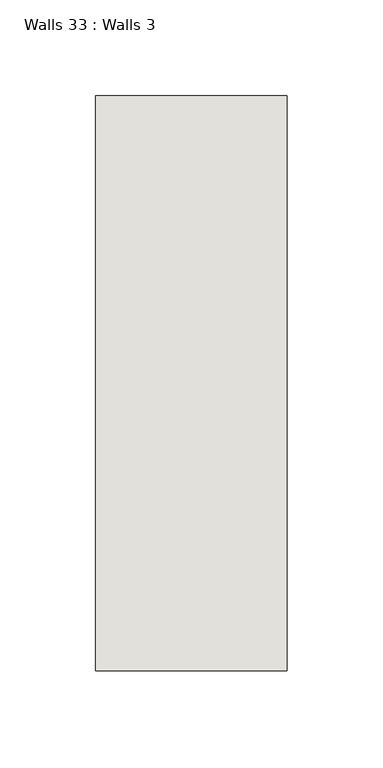
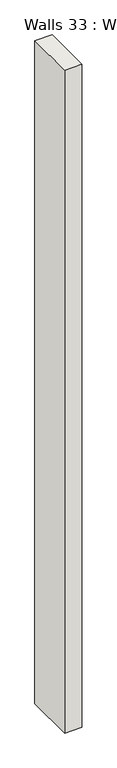
"""IFC4 building model written with IfcOpenShell, lengths in millimetres: wall geometry, Walls 33 : Walls 3."""

from ifc_helpers import new_model, si_unit, origin, origin_with_axes, place, context, project, spatial, polyline, outline, extrude, source, transform, mapped, element, save


def walls_33_walls_3_b1bc1383(model_context):
    return source(origin(), model_context, "Body", "SweptSolid", [
        extrude(outline(polyline([(-2612.3812655, 1518.41264), (-2612.3812655, 1818.41264), (-2512.3812655, 1818.41264), (-2512.3812655, 1518.41264), (-2612.3812655, 1518.41264)])), origin_with_axes(), (0.0, 0.0, 1.0), 4085.1192828),
    ])


if __name__ == "__main__":
    model = new_model("IFC4")
    model_context = context("Model", 3, world=origin())
    ifc_project = project(units=[si_unit("LENGTHUNIT", "METRE", prefix="MILLI")], contexts=[model_context])
    site = spatial("IfcSite", under=ifc_project)
    building = spatial("IfcBuilding", under=site)
    placement = place(None, origin())
    walls_33_walls_3_shape = walls_33_walls_3_b1bc1383(model_context)
    element("IfcWall", 1, ObjectType="Walls 33 : Walls 3", at=placement, inside=building, context=model_context, shape_type="MappedRepresentation", body=[
        mapped(walls_33_walls_3_shape, transform((0.0, 0.0, 0.0), x_axis=(1.0, 0.0, 0.0), y_axis=(0.0, 1.0, 0.0), z_axis=(0.0, 0.0, 1.0))),
    ])
    save(model, "model.ifc")
